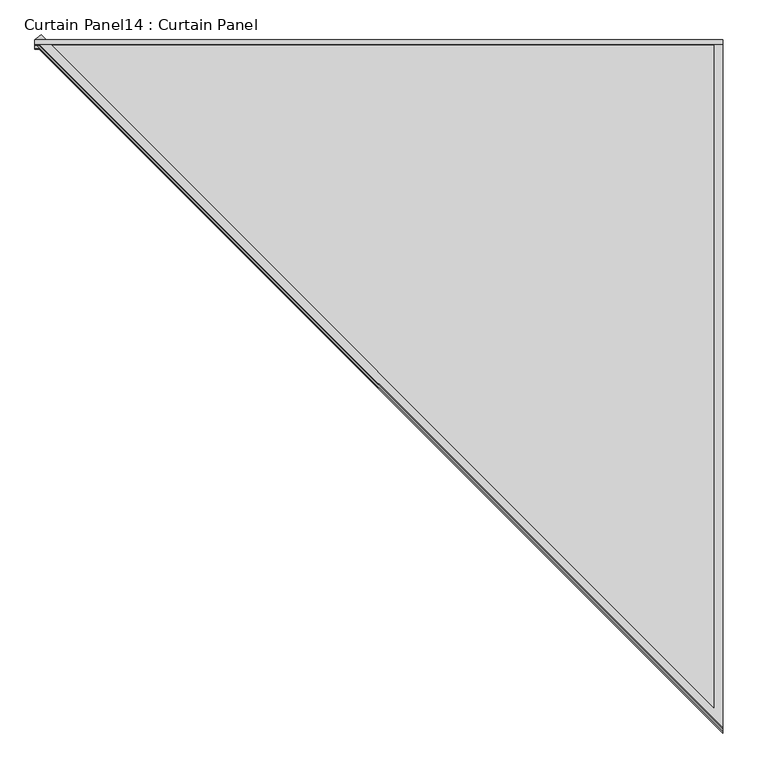
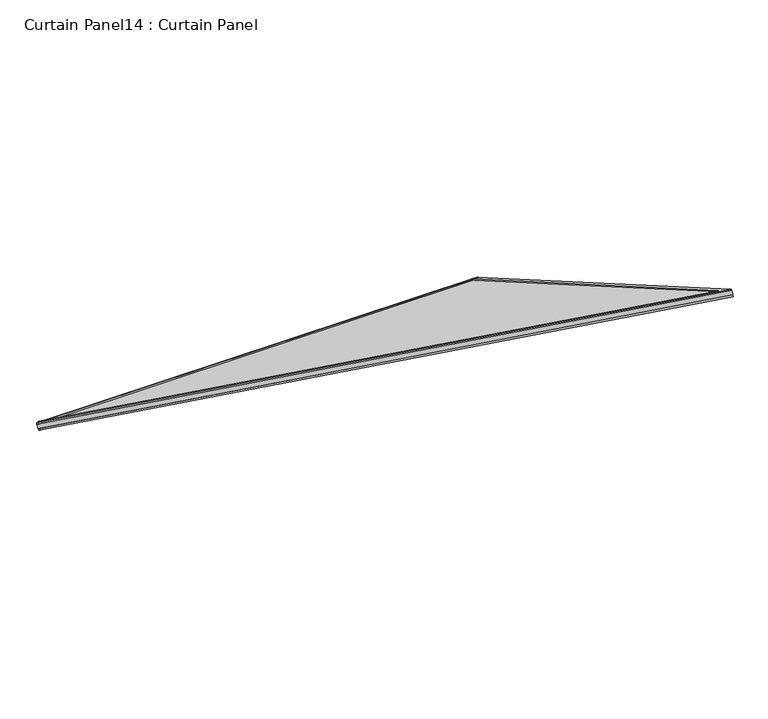
"""IFC4 building model written with IfcOpenShell, lengths in millimetres: plate geometry, Curtain Panel14 : Curtain Panel."""

from ifc_helpers import new_model, si_unit, frame, origin, place, context, project, spatial, polyline, outline, extrude, source, transform, mapped, element, save


def curtain_panel14_curtain_panel_82b11d25(model_context):
    return source(origin(), model_context, "Body", "SweptSolid", [
        extrude(outline(polyline([(-8188.2014547, 920.0557441), (-8186.0900797, 923.7127528), (-8176.4655086, 918.1564486), (-8178.5770761, 914.4991065), (-8188.2014547, 920.0557441)])), frame((1191.6772022, 0.0, 0.0), z_axis=(1.0, 0.0, 0.0), x_axis=(0.0, 1.0, 0.0)), (0.0, 0.0, 1.0), 1495.9758311),
        extrude(outline(polyline([(-8197.3295751, 904.2453758), (-8195.0087372, 908.2651848), (-8185.3841661, 902.7088806), (-8187.7051965, 898.6887382), (-8197.3295751, 904.2453758)])), frame((1191.6772022, 0.0, 0.0), z_axis=(1.0, 0.0, 0.0), x_axis=(0.0, 1.0, 0.0)), (0.0, 0.0, 1.0), 1495.9758311),
        extrude(outline(polyline([(0.0, -11.1252), (0.0, 0.0), (2255.3005297, 1e-07), (972.0629161, 1111.3163726), (979.3460691, 1119.7262333), (2285.1408279, -11.1252), (0.0, -11.1252)])), frame((1200.0870629, -8181.4970243, 894.8753018), z_axis=(0.0, 0.4999999999999998, 0.8660254037844387), x_axis=(0.6546536707079774, -0.6546536707079776, 0.37796447300922603)), (0.0, 0.0, 1.0), 4.8617188),
        extrude(outline(polyline([(0.0, -17.9033336), (0.0, 0.0), (2237.1200452, 0.0), (967.6255861, 1099.4144516), (979.3460691, 1112.9480997), (2285.1408279, -17.9033335), (0.0, -17.9033336)])), frame((1205.2108503, -8168.42684, 908.638865), z_axis=(0.0, 0.4999999999999999, 0.8660254037844387), x_axis=(0.6546536707079774, -0.6546536707079776, 0.3779644730092262)), (0.0, 0.0, 1.0), 4.0243125),
        extrude(outline(polyline([(66.1241689, 0.0), (1562.1, 0.0), (1562.1, -1727.4040976), (66.1241689, 0.0)])), frame((1125.5530333, -8185.3735604, 902.7272502), z_axis=(0.0, 0.5000000000000002, 0.8660254037844386), x_axis=(1.0, 0.0, 0.0)), (0.0, 0.0, 1.0), 13.5929687),
    ])


if __name__ == "__main__":
    model = new_model("IFC4")
    model_context = context("Model", 3, world=origin())
    ifc_project = project(units=[si_unit("LENGTHUNIT", "METRE", prefix="MILLI")], contexts=[model_context])
    site = spatial("IfcSite", under=ifc_project)
    building = spatial("IfcBuilding", under=site)
    placement = place(None, origin())
    curtain_panel14_curtain_panel_shape = curtain_panel14_curtain_panel_82b11d25(model_context)
    element("IfcPlate", 1, ObjectType="Curtain Panel14 : Curtain Panel", at=placement, inside=building, context=model_context, shape_type="MappedRepresentation", body=[
        mapped(curtain_panel14_curtain_panel_shape, transform((0.0, 0.0, 0.0), x_axis=(1.0, 0.0, 0.0), y_axis=(0.0, 1.0, 0.0), z_axis=(0.0, 0.0, 1.0))),
    ])
    save(model, "model.ifc")
